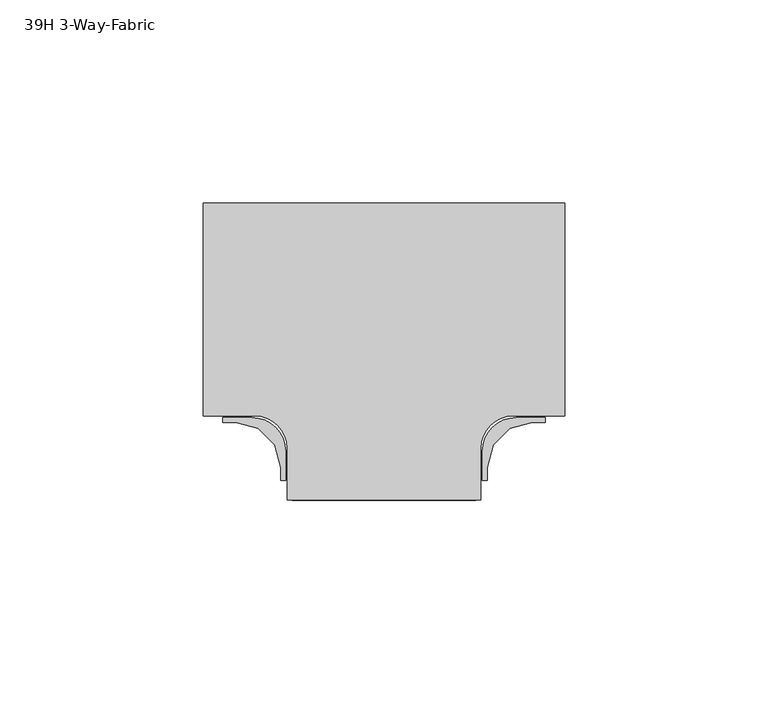
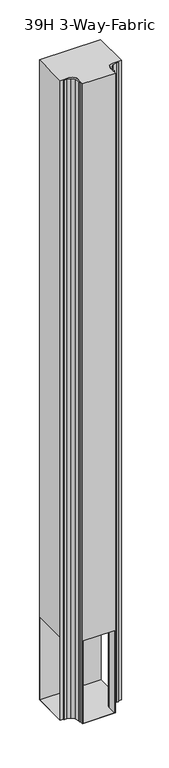
"""IFC4 building model written with IfcOpenShell, lengths in millimetres: furniture geometry, 39H 3-Way-Fabric."""

from ifc_helpers import new_model, si_unit, point, frame, frame_2d, origin, place, context, project, spatial, polyline, circle_curve, trimmed, segment, composite_curve, outline, extrude, source, transform, mapped, element, save
from ifc_brep_helpers import plane_surface, cylinder_surface, revolved_surface, advanced_brep


def furniture_39h_3_way_fabric_705fe3d3(model_context):
    return source(origin(), model_context, "Body", "SolidModel", [
        extrude(outline(composite_curve([segment(polyline([(31.7500015, -15.6479256), (30.5568331, -15.6479256), (30.5568331, -8.4848759)]), True, "CONTINUOUS"), segment(trimmed(circle_curve(frame_2d((38.8750832, -8.4848759)), 8.3182501), [point((30.5568331, -8.4848759))], [point((38.8750832, -0.1666258))], False, "CARTESIAN"), True, "CONTINUOUS"), segment(polyline([(38.8750832, -0.1666258), (46.037497, -0.1666258), (46.037497, -1.3597897), (42.8250386, -1.3604256), (37.2878357, -2.8441105), (33.2343222, -6.897624), (31.7506328, -12.4348223), (31.7500015, -15.6479256)]), True, "CONTINUOUS")], self_intersect=False)), frame((0.0, 0.0, 9.779), z_axis=(0.0, 0.0, 1.0), x_axis=(1.0, 0.0, 0.0)), (0.0, 0.0, 1.0), 983.9959758),
        extrude(outline(composite_curve([segment(polyline([(-19.0500045, -15.6479256), (-19.0506359, -12.4348223), (-20.5343253, -6.897624), (-24.5878388, -2.8441105), (-30.1250417, -1.3604256), (-33.3375, -1.3597897), (-33.3375, -0.1666258), (-26.1750862, -0.1666258)]), True, "CONTINUOUS"), segment(trimmed(circle_curve(frame_2d((-26.1750862, -8.4848759)), 8.3182501), [point((-26.1750862, -0.1666258))], [point((-17.8568361, -8.4848759))], False, "CARTESIAN"), True, "CONTINUOUS"), segment(polyline([(-17.8568361, -8.4848759), (-17.8568361, -15.6479256), (-19.0500045, -15.6479256)]), True, "CONTINUOUS")], self_intersect=False)), frame((0.0, 0.0, 9.779), z_axis=(0.0, 0.0, 1.0), x_axis=(1.0, 0.0, 0.0)), (0.0, 0.0, 1.0), 983.9959758),
        advanced_brep(
        [(-38.1, 52.614576, 993.7749758), (-38.1, 0.2270774, 993.7749758), (-25.3999996, 0.2270774, 993.7749758), (-17.4618657, -7.7110565, 993.7749758), (-17.4618657, -20.410424, 993.7749758), (30.1618626, -20.410424, 993.7749758), (30.1618626, -7.7110565, 993.7749758), (38.0999966, 0.2270774, 993.7749758), (50.799997, 0.2270774, 993.7749758), (50.799997, 52.614576, 993.7749758), (-38.1, 52.614576, 9.525), (50.799997, 52.614576, 9.525), (50.799997, 0.2270774, 9.525), (38.0999966, 0.2270774, 9.525), (30.1618626, -7.7110565, 9.525), (30.1618626, -20.410424, 9.525), (-17.4618657, -20.410424, 9.525), (-17.4618657, -7.7110565, 9.525), (-25.3999996, 0.2270774, 9.525), (-38.1, 0.2270774, 9.525), (-38.1, 51.344576, 136.525), (-38.1, 1.4970774, 136.525), (-38.1, 1.4970774, 9.779), (-38.1, 51.344576, 9.779), (-16.1918657, -20.410424, 136.525), (28.8918626, -20.410424, 136.525), (28.8918626, -20.410424, 9.779), (-16.1918657, -20.410424, 9.779), (50.799997, 1.4970774, 136.525), (50.799997, 51.344576, 136.525), (50.799997, 51.344576, 9.779), (50.799997, 1.4970774, 9.779), (38.0999966, 1.4970774, 136.525), (28.8918626, -7.7110565, 136.525), (-16.1918657, -7.7110565, 136.525), (-25.3999996, 1.4970774, 136.525), (-25.3999996, 1.4970774, 9.779), (-16.1918657, -7.7110565, 9.779), (28.8918626, -7.7110565, 9.779), (38.0999966, 1.4970774, 9.779)],
        [
            (0, 1),
            (1, 2),
            (2, 3, circle_curve(frame((-25.3999996, -7.7110565, 993.7749758), z_axis=(0.0, 0.0, -1.0), x_axis=(1.0, 0.0, 0.0)), 7.938134)),
            (3, 4),
            (4, 5),
            (5, 6),
            (6, 7, circle_curve(frame((38.0999966, -7.7110565, 993.7749758), z_axis=(0.0, 0.0, -1.0), x_axis=(1.0, 0.0, 0.0)), 7.938134)),
            (7, 8),
            (8, 9),
            (9, 0),
            (10, 11),
            (11, 12),
            (12, 13),
            (13, 14, circle_curve(frame((38.0999966, -7.7110565, 9.525), z_axis=(0.0, 0.0, 1.0), x_axis=(1.0, 0.0, 0.0)), 7.938134)),
            (14, 15),
            (15, 16),
            (16, 17),
            (17, 18, circle_curve(frame((-25.3999996, -7.7110565, 9.525), z_axis=(0.0, 0.0, 1.0), x_axis=(1.0, 0.0, 0.0)), 7.938134)),
            (18, 19),
            (19, 10),
            (0, 10),
            (19, 1),
            (20, 21),
            (21, 22),
            (22, 23),
            (23, 20),
            (4, 16),
            (15, 5),
            (24, 25),
            (25, 26),
            (26, 27),
            (27, 24),
            (8, 12),
            (11, 9),
            (28, 29),
            (29, 30),
            (30, 31),
            (31, 28),
            (18, 2),
            (17, 3),
            (14, 6),
            (13, 7),
            (32, 33, circle_curve(frame((38.0999966, -7.7110565, 136.525), z_axis=(0.0, 0.0, 1.0), x_axis=(1.0, 0.0, 0.0)), 9.208134)),
            (33, 25),
            (24, 34),
            (34, 35, circle_curve(frame((-25.3999996, -7.7110565, 136.525), z_axis=(0.0, 0.0, 1.0), x_axis=(1.0, 0.0, 0.0)), 9.208134)),
            (35, 21),
            (20, 29),
            (28, 32),
            (36, 37, circle_curve(frame((-25.3999996, -7.7110565, 9.779), z_axis=(0.0, 0.0, -1.0), x_axis=(1.0, 0.0, 0.0)), 9.208134)),
            (37, 27),
            (26, 38),
            (38, 39, circle_curve(frame((38.0999966, -7.7110565, 9.779), z_axis=(0.0, 0.0, -1.0), x_axis=(1.0, 0.0, 0.0)), 9.208134)),
            (39, 31),
            (30, 23),
            (22, 36),
            (35, 36),
            (34, 37),
            (33, 38),
            (32, 39),
        ],
        [
            plane_surface(frame((-38.1, 52.614576, 993.7749758), z_axis=(0.0, 0.0, 1.0), x_axis=(0.0, -1.0, 0.0))),
            plane_surface(frame((-38.1, 52.614576, 9.525), z_axis=(0.0, 0.0, -1.0), x_axis=(0.0, 1.0, 0.0))),
            plane_surface(frame((-38.1, 52.614576, 993.7749758), z_axis=(-1.0, 0.0, 0.0), x_axis=(0.0, 0.0, -1.0))),
            plane_surface(frame((-17.4618657, -20.410424, 993.7749758), z_axis=(0.0, -1.0, 0.0), x_axis=(0.0, 0.0, -1.0))),
            plane_surface(frame((50.799997, 0.2270774, 993.7749758), z_axis=(1.0, 0.0, 0.0), x_axis=(0.0, 0.0, -1.0))),
            plane_surface(frame((50.799997, 52.614576, 993.7749758), z_axis=(0.0, 1.0, 0.0), x_axis=(0.0, 0.0, -1.0))),
            plane_surface(frame((-38.1, 0.2270774, 993.7749758), z_axis=(0.0, -1.0, 0.0), x_axis=(0.0, 0.0, -1.0))),
            revolved_surface(polyline([(-17.461865600000003, -7.7110565, 9.525), (-17.461865600000003, -7.7110565, 993.7749758)]), (-25.3999996, -7.7110565, 9.525), (0.0, 0.0, -1.0)),
            plane_surface(frame((-17.4618657, -7.7110565, 993.7749758), z_axis=(-1.0, 0.0, 0.0), x_axis=(0.0, 0.0, -1.0))),
            plane_surface(frame((30.1618626, -20.410424, 993.7749758), z_axis=(1.0, 0.0, 0.0), x_axis=(0.0, 0.0, -1.0))),
            revolved_surface(polyline([(46.038130599999995, -7.7110565, 9.525), (46.038130599999995, -7.7110565, 993.7749758)]), (38.0999966, -7.7110565, 9.525), (0.0, 0.0, -1.0)),
            plane_surface(frame((38.0999966, 0.2270774, 993.7749758), z_axis=(0.0, -1.0, 0.0), x_axis=(0.0, 0.0, -1.0))),
            plane_surface(frame((-43.18, 51.344576, 136.525), z_axis=(0.0, 0.0, -1.0), x_axis=(0.0, -1.0, 0.0))),
            plane_surface(frame((-43.18, 51.344576, 9.779), z_axis=(0.0, 0.0, 1.0), x_axis=(0.0, 1.0, 0.0))),
            plane_surface(frame((-43.18, 1.4970774, 136.525), z_axis=(0.0, 1.0, 0.0), x_axis=(0.0, 0.0, -1.0))),
            cylinder_surface(frame((-25.3999996, -7.7110565, 9.779), z_axis=(0.0, 0.0, -1.0), x_axis=(1.0, 0.0, 0.0)), 9.208134),
            plane_surface(frame((-16.1918657, -7.7110565, 136.525), z_axis=(1.0, 0.0, 0.0), x_axis=(0.0, 0.0, -1.0))),
            plane_surface(frame((28.8918626, -23.7122902, 136.525), z_axis=(-1.0, 0.0, 0.0), x_axis=(0.0, 0.0, -1.0))),
            cylinder_surface(frame((38.0999966, -7.7110565, 9.779), z_axis=(0.0, 0.0, -1.0), x_axis=(1.0, 0.0, 0.0)), 9.208134),
            plane_surface(frame((38.0999966, 1.4970774, 136.525), z_axis=(0.0, 1.0, 0.0), x_axis=(0.0, 0.0, -1.0))),
            plane_surface(frame((54.292497, 51.344576, 136.525), z_axis=(0.0, -1.0, 0.0), x_axis=(0.0, 0.0, -1.0))),
        ],
        [
            (0, [[1, 2, 3, 4, 5, 6, 7, 8, 9, 10]]),
            (1, [[11, 12, 13, 14, 15, 16, 17, 18, 19, 20]]),
            (2, [[-1, 21, -20, 22], [23, 24, 25, 26]]),
            (3, [[-5, 27, -16, 28], [29, 30, 31, 32]]),
            (4, [[-9, 33, -12, 34], [35, 36, 37, 38]]),
            (5, [[-10, -34, -11, -21]]),
            (6, [[-2, -22, -19, 39]]),
            (7, [[-3, -39, -18, 40]]),
            (8, [[-4, -40, -17, -27]]),
            (9, [[-6, -28, -15, 41]]),
            (10, [[-7, -41, -14, 42]]),
            (11, [[-8, -42, -13, -33]]),
            (12, [[43, 44, -29, 45, 46, 47, -23, 48, -35, 49]]),
            (13, [[50, 51, -31, 52, 53, 54, -37, 55, -25, 56]]),
            (14, [[57, -56, -24, -47]]),
            (15, [[-46, 58, -50, -57]]),
            (16, [[-58, -45, -32, -51]]),
            (17, [[59, -52, -30, -44]]),
            (18, [[-43, 60, -53, -59]]),
            (19, [[-60, -49, -38, -54]]),
            (20, [[-48, -26, -55, -36]]),
        ],
    ),
    ])


if __name__ == "__main__":
    model = new_model("IFC4")
    model_context = context("Model", 3, world=origin())
    ifc_project = project(units=[si_unit("LENGTHUNIT", "METRE", prefix="MILLI")], contexts=[model_context])
    site = spatial("IfcSite", under=ifc_project)
    building = spatial("IfcBuilding", under=site)
    placement = place(None, origin())
    furniture_39h_3_way_fabric_shape = furniture_39h_3_way_fabric_705fe3d3(model_context)
    element("IfcFurniture", 1, ObjectType="39H 3-Way-Fabric", at=placement, inside=building, context=model_context, shape_type="MappedRepresentation", body=[
        mapped(furniture_39h_3_way_fabric_shape, transform((0.0, 0.0, 0.0), x_axis=(1.0, 0.0, 0.0), y_axis=(0.0, 1.0, 0.0), z_axis=(0.0, 0.0, 1.0))),
    ])
    save(model, "model.ifc")
